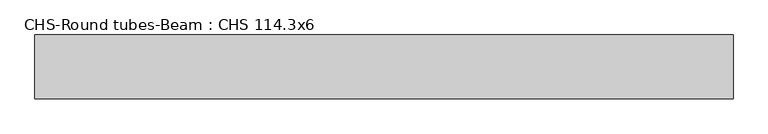
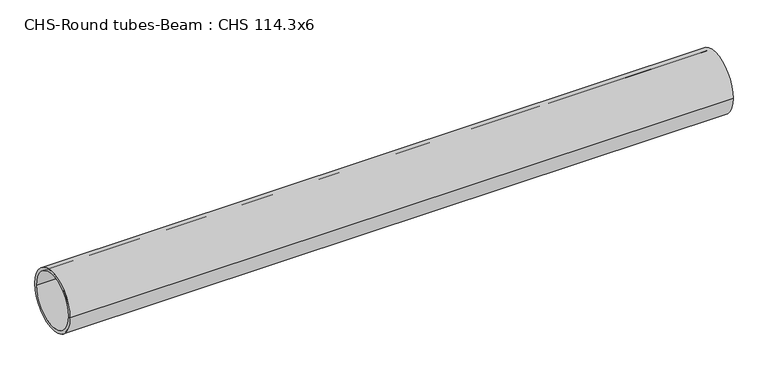
"""IFC4 building model written with IfcOpenShell, lengths in millimetres: beam geometry, CHS-Round tubes-Beam : CHS 114.3x6."""

from ifc_helpers import new_model, si_unit, point, frame, origin, origin_2d, place, context, project, spatial, circle_curve, trimmed, segment, composite_curve, outline, extrude, source, transform, mapped, element, save


def chs_round_tubes_beam_chs_114_3x6_df3fbfdc(model_context):
    return source(origin(), model_context, "Body", "SweptSolid", [
        extrude(outline(composite_curve([segment(trimmed(circle_curve(origin_2d(), 57.15), [point((57.15, 0.0))], [point((-57.15, 0.0))], False, "CARTESIAN"), True, "CONTINUOUS"), segment(trimmed(circle_curve(origin_2d(), 57.15), [point((-57.15, 0.0))], [point((57.15, 0.0))], False, "CARTESIAN"), True, "CONTINUOUS")], self_intersect=False), holes=[composite_curve([segment(trimmed(circle_curve(origin_2d(), 51.15), [point((51.15, 0.0))], [point((-51.15, 0.0))], True, "CARTESIAN"), True, "CONTINUOUS"), segment(trimmed(circle_curve(origin_2d(), 51.15), [point((-51.15, 0.0))], [point((51.15, 0.0))], True, "CARTESIAN"), True, "CONTINUOUS")], self_intersect=False)]), frame((-626.2468318, 0.0, 0.0), z_axis=(1.0, 0.0, 0.0), x_axis=(0.0, 1.0, 0.0)), (0.0, 0.0, 1.0), 1250.596747),
    ])


if __name__ == "__main__":
    model = new_model("IFC4")
    model_context = context("Model", 3, world=origin())
    ifc_project = project(units=[si_unit("LENGTHUNIT", "METRE", prefix="MILLI")], contexts=[model_context])
    site = spatial("IfcSite", under=ifc_project)
    building = spatial("IfcBuilding", under=site)
    placement = place(None, origin())
    chs_round_tubes_beam_chs_114_3x6_shape = chs_round_tubes_beam_chs_114_3x6_df3fbfdc(model_context)
    element("IfcBeam", 1, ObjectType="CHS-Round tubes-Beam : CHS 114.3x6", at=placement, inside=building, context=model_context, shape_type="MappedRepresentation", body=[
        mapped(chs_round_tubes_beam_chs_114_3x6_shape, transform((0.0, 0.0, 0.0), x_axis=(1.0, 0.0, 0.0), y_axis=(0.0, 1.0, 0.0), z_axis=(0.0, 0.0, 1.0))),
    ])
    save(model, "model.ifc")
